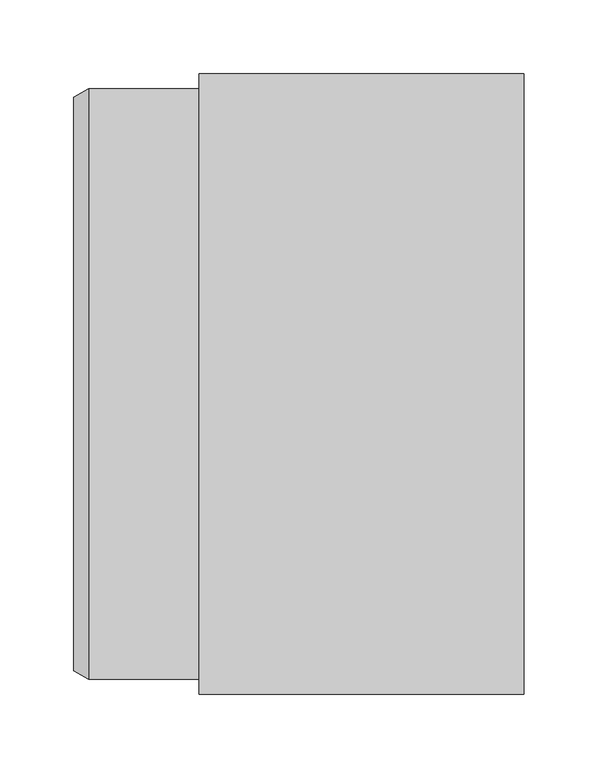
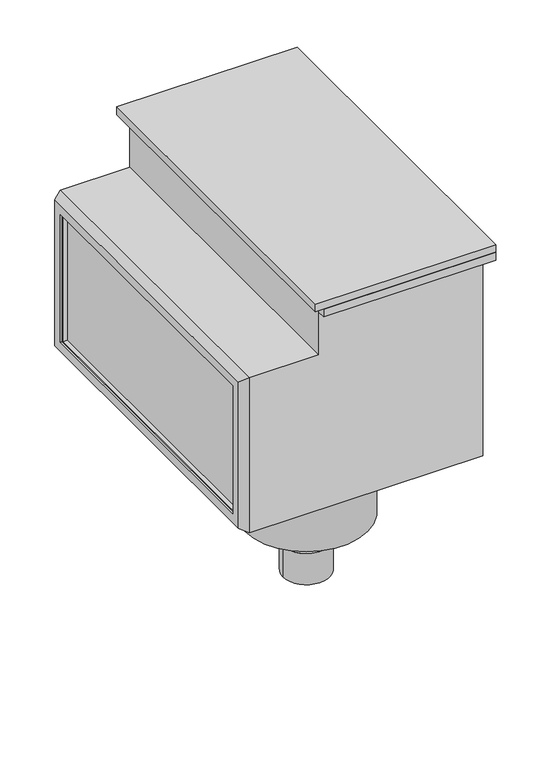
"""IFC4 building model written with IfcOpenShell, lengths in millimetres: proxy geometry."""

from ifc_helpers import new_model, si_unit, frame, origin, place, context, project, spatial, polyline, circle_curve, outline, extrude, source, transform, mapped, element, save
from ifc_brep_helpers import plane_surface, cylinder_surface, advanced_brep


def generic_models_d28aa3cd(model_context):
    return source(origin(), model_context, "Body", "SolidModel", [
        extrude(outline(polyline([(85.0, 200.0), (85.0, 210.0), (295.0, 210.0), (295.0, -210.0), (85.0, -210.0), (85.0, -200.0), (285.0, -200.0), (285.0, 200.0), (85.0, 200.0)])), frame((0.0, 0.0, -20.0), z_axis=(0.0, 0.0, 1.0), x_axis=(1.0, 0.0, 0.0)), (0.0, 0.0, 1.0), 10.0),
        advanced_brep(
        [(0.0, -200.0, -75.0), (-10.0, -194.2264973, -80.7735027), (-10.0, -194.2264973, -269.2264973), (0.0, -200.0, -275.0), (-4.952609, -185.0, -260.0), (-4.952609, -185.0, -90.0), (0.0, -185.0, -90.0), (0.0, -185.0, -260.0), (-7.452609, -182.5, -257.5), (-7.452609, -182.5, -92.5), (-10.0, -182.5, -257.5), (-10.0, -182.5, -92.5), (-10.0, 194.2264973, -269.2264973), (0.0, 200.0, -275.0), (-4.952609, 185.0, -260.0), (0.0, 185.0, -260.0), (-7.452609, 182.5, -257.5), (-10.0, 182.5, -257.5), (-10.0, 194.2264973, -80.7735027), (0.0, 200.0, -75.0), (-4.952609, 185.0, -90.0), (0.0, 185.0, -90.0), (-7.452609, 182.5, -92.5), (-10.0, 182.5, -92.5), (285.0, -200.0, -275.0), (285.0, -200.0, -10.0), (85.0, -200.0, -10.0), (85.0, -200.0, -75.0), (85.0, 200.0, -75.0), (85.0, 200.0, -10.0), (285.0, 200.0, -10.0), (285.0, 200.0, -275.0), (260.0, 0.0, -275.0), (110.0, 0.0, -275.0), (295.0, 210.0, 0.0), (75.0, 210.0, 0.0), (75.0, -210.0, 0.0), (295.0, -210.0, 0.0), (295.0, 210.0, -10.0), (295.0, -210.0, -10.0), (75.0, -210.0, -10.0), (75.0, 210.0, -10.0), (110.0, 0.0, -433.0), (260.0, 0.0, -433.0), (206.0, 0.0, -433.0), (164.0, 0.0, -433.0), (156.5, 0.0, -508.0), (213.5, 0.0, -508.0), (185.0, 0.0, -508.0), (156.5, 0.0, -468.0), (213.5, 0.0, -468.0), (166.5, 0.0, -468.0), (203.5, 0.0, -468.0), (166.5, 0.0, -463.0), (203.5, 0.0, -463.0), (164.0, 0.0, -463.0), (206.0, 0.0, -463.0)],
        [
            (0, 1),
            (1, 2),
            (2, 3),
            (3, 0),
            (4, 5),
            (5, 6),
            (6, 7),
            (7, 4),
            (4, 8),
            (8, 9),
            (9, 5),
            (8, 10),
            (10, 11),
            (11, 9),
            (2, 12),
            (12, 13),
            (13, 3),
            (14, 4),
            (7, 15),
            (15, 14),
            (14, 16),
            (16, 8),
            (16, 17),
            (17, 10),
            (12, 18),
            (18, 19),
            (19, 13),
            (20, 14),
            (15, 21),
            (21, 20),
            (20, 22),
            (22, 16),
            (22, 23),
            (23, 17),
            (0, 19),
            (18, 1),
            (5, 20),
            (21, 6),
            (9, 22),
            (11, 23),
            (3, 24),
            (24, 25),
            (25, 26),
            (26, 27),
            (27, 0),
            (19, 28),
            (28, 29),
            (29, 30),
            (30, 31),
            (31, 13),
            (31, 24),
            (32, 33, circle_curve(frame((185.0, 0.0, -275.0), z_axis=(0.0, 0.0, 1.0), x_axis=(1.0, 0.0, 0.0)), 75.0)),
            (33, 32, circle_curve(frame((185.0, 0.0, -275.0), z_axis=(0.0, 0.0, 1.0), x_axis=(1.0, 0.0, 0.0)), 75.0)),
            (30, 25),
            (26, 29),
            (28, 27),
            (34, 35),
            (35, 36),
            (36, 37),
            (37, 34),
            (38, 39),
            (39, 40),
            (40, 41),
            (41, 38),
            (34, 38),
            (41, 35),
            (40, 36),
            (39, 37),
            (42, 43, circle_curve(frame((185.0, 0.0, -433.0), z_axis=(0.0, 0.0, -1.0), x_axis=(1.0, 0.0, 0.0)), 75.0)),
            (43, 44),
            (44, 45, circle_curve(frame((185.0, 0.0, -433.0), z_axis=(0.0, 0.0, 1.0), x_axis=(1.0, 0.0, 0.0)), 21.0)),
            (45, 42),
            (43, 42, circle_curve(frame((185.0, 0.0, -433.0), z_axis=(0.0, 0.0, -1.0), x_axis=(1.0, 0.0, 0.0)), 75.0)),
            (45, 44, circle_curve(frame((185.0, 0.0, -433.0), z_axis=(0.0, 0.0, 1.0), x_axis=(1.0, 0.0, 0.0)), 21.0)),
            (42, 33),
            (32, 43),
            (46, 47, circle_curve(frame((185.0, 0.0, -508.0), z_axis=(0.0, 0.0, -1.0), x_axis=(1.0, 0.0, 0.0)), 28.5)),
            (47, 48),
            (48, 46),
            (47, 46, circle_curve(frame((185.0, 0.0, -508.0), z_axis=(0.0, 0.0, -1.0), x_axis=(1.0, 0.0, 0.0)), 28.5)),
            (46, 49),
            (49, 50, circle_curve(frame((185.0, 0.0, -468.0), z_axis=(0.0, 0.0, -1.0), x_axis=(1.0, 0.0, 0.0)), 28.5)),
            (50, 47),
            (50, 49, circle_curve(frame((185.0, 0.0, -468.0), z_axis=(0.0, 0.0, -1.0), x_axis=(1.0, 0.0, 0.0)), 28.5)),
            (49, 51),
            (51, 52, circle_curve(frame((185.0, 0.0, -468.0), z_axis=(0.0, 0.0, -1.0), x_axis=(1.0, 0.0, 0.0)), 18.5)),
            (52, 50),
            (52, 51, circle_curve(frame((185.0, 0.0, -468.0), z_axis=(0.0, 0.0, -1.0), x_axis=(1.0, 0.0, 0.0)), 18.5)),
            (51, 53),
            (53, 54, circle_curve(frame((185.0, 0.0, -463.0), z_axis=(0.0, 0.0, -1.0), x_axis=(1.0, 0.0, 0.0)), 18.5)),
            (54, 52),
            (54, 53, circle_curve(frame((185.0, 0.0, -463.0), z_axis=(0.0, 0.0, -1.0), x_axis=(1.0, 0.0, 0.0)), 18.5)),
            (53, 55),
            (55, 56, circle_curve(frame((185.0, 0.0, -463.0), z_axis=(0.0, 0.0, -1.0), x_axis=(1.0, 0.0, 0.0)), 21.0)),
            (56, 54),
            (56, 55, circle_curve(frame((185.0, 0.0, -463.0), z_axis=(0.0, 0.0, -1.0), x_axis=(1.0, 0.0, 0.0)), 21.0)),
            (44, 56),
            (55, 45),
        ],
        [
            plane_surface(frame((-10.0, -194.2264973, -80.7735027), z_axis=(-0.4999999999999858, -0.8660254037844469, 0.0), x_axis=(0.0, 0.0, -1.0))),
            plane_surface(frame((10.0, -185.0, -90.0), z_axis=(0.0, 1.0, 0.0), x_axis=(0.0, 0.0, -1.0))),
            plane_surface(frame((-4.952609, -185.0, -90.0), z_axis=(0.7071067811865478, 0.7071067811865472, 0.0), x_axis=(0.0, 0.0, -1.0))),
            plane_surface(frame((-7.452609, -182.5, -92.5), z_axis=(0.0, 1.0, 0.0), x_axis=(0.0, 0.0, -1.0))),
            plane_surface(frame((-10.0, -194.2264973, -269.2264973), z_axis=(-0.4999999999999858, 0.0, -0.8660254037844469), x_axis=(0.0, 1.0, 0.0))),
            plane_surface(frame((10.0, -185.0, -260.0), z_axis=(0.0, 0.0, 1.0), x_axis=(0.0, 1.0, 0.0))),
            plane_surface(frame((-4.952609, -185.0, -260.0), z_axis=(0.7071067811865478, 0.0, 0.7071067811865472), x_axis=(0.0, 1.0, 0.0))),
            plane_surface(frame((-7.452609, -182.5, -257.5), z_axis=(0.0, 0.0, 1.0), x_axis=(0.0, 1.0, 0.0))),
            plane_surface(frame((-10.0, 194.2264973, -269.2264973), z_axis=(-0.4999999999999858, 0.8660254037844469, 0.0), x_axis=(0.0, 0.0, 1.0))),
            plane_surface(frame((10.0, 185.0, -260.0), z_axis=(0.0, -1.0, 0.0), x_axis=(0.0, 0.0, 1.0))),
            plane_surface(frame((-4.952609, 185.0, -260.0), z_axis=(0.7071067811865478, -0.7071067811865472, 0.0), x_axis=(0.0, 0.0, 1.0))),
            plane_surface(frame((-7.452609, 182.5, -257.5), z_axis=(0.0, -1.0, 0.0), x_axis=(0.0, 0.0, 1.0))),
            plane_surface(frame((-10.0, 194.2264973, -80.7735027), z_axis=(-0.4999999999999858, 0.0, 0.8660254037844469), x_axis=(0.0, -1.0, 0.0))),
            plane_surface(frame((10.0, 185.0, -90.0), z_axis=(0.0, 0.0, -1.0), x_axis=(0.0, -1.0, 0.0))),
            plane_surface(frame((-4.952609, 185.0, -90.0), z_axis=(0.7071067811865478, 0.0, -0.7071067811865472), x_axis=(0.0, -1.0, 0.0))),
            plane_surface(frame((-7.452609, 182.5, -92.5), z_axis=(0.0, 0.0, -1.0), x_axis=(0.0, -1.0, 0.0))),
            plane_surface(frame((-10.0, 182.5, -92.5), z_axis=(-1.0, 0.0, 0.0), x_axis=(0.0, -1.0, 0.0))),
            plane_surface(frame((0.0, -200.0, -275.0), z_axis=(0.0, -1.0, 0.0), x_axis=(1.0, 0.0, 0.0))),
            plane_surface(frame((0.0, 200.0, -275.0), z_axis=(0.0, 1.0, 0.0), x_axis=(-1.0, 0.0, 0.0))),
            plane_surface(frame((0.0, -200.0, -275.0), z_axis=(0.0, 0.0, -1.0), x_axis=(0.0, 1.0, 0.0))),
            plane_surface(frame((285.0, -200.0, -275.0), z_axis=(1.0, 0.0, 0.0), x_axis=(0.0, 1.0, 0.0))),
            plane_surface(frame((85.0, -200.0, -10.0), z_axis=(-1.0, 0.0, 0.0), x_axis=(0.0, 1.0, 0.0))),
            plane_surface(frame((85.0, -200.0, -75.0), z_axis=(0.0, 0.0, 1.0), x_axis=(0.0, 1.0, 0.0))),
            plane_surface(frame((0.0, -200.0, -75.0), z_axis=(-1.0, 0.0, 0.0), x_axis=(0.0, 1.0, 0.0))),
            plane_surface(frame((75.0, 210.0, 0.0), z_axis=(0.0, 0.0, 1.0), x_axis=(-1.0, 0.0, 0.0))),
            plane_surface(frame((75.0, 210.0, -10.0), z_axis=(0.0, 0.0, -1.0), x_axis=(1.0, 0.0, 0.0))),
            plane_surface(frame((295.0, 210.0, 0.0), z_axis=(0.0, 1.0, 0.0), x_axis=(0.0, 0.0, -1.0))),
            plane_surface(frame((75.0, 210.0, 0.0), z_axis=(-1.0, 0.0, 0.0), x_axis=(0.0, 0.0, -1.0))),
            plane_surface(frame((75.0, -210.0, 0.0), z_axis=(0.0, -1.0, 0.0), x_axis=(0.0, 0.0, -1.0))),
            plane_surface(frame((295.0, -210.0, 0.0), z_axis=(1.0, 0.0, 0.0), x_axis=(0.0, 0.0, -1.0))),
            plane_surface(frame((185.0, 0.0, -433.0), z_axis=(0.0, 0.0, -1.0), x_axis=(1.0, 0.0, 0.0))),
            cylinder_surface(frame((185.0, 0.0, -203.4284854), z_axis=(0.0, 0.0, 1.0), x_axis=(1.0, 0.0, 0.0)), 75.0),
            plane_surface(frame((185.0, 0.0, -508.0), z_axis=(0.0, 0.0, -1.0), x_axis=(1.0, 0.0, 0.0))),
            cylinder_surface(frame((185.0, 0.0, -203.4284854), z_axis=(0.0, 0.0, 1.0), x_axis=(1.0, 0.0, 0.0)), 28.5),
            plane_surface(frame((185.0, 0.0, -468.0), z_axis=(0.0, 0.0, 1.0), x_axis=(1.0, 0.0, 0.0))),
            cylinder_surface(frame((185.0, 0.0, -203.4284854), z_axis=(0.0, 0.0, 1.0), x_axis=(1.0, 0.0, 0.0)), 18.5),
            plane_surface(frame((185.0, 0.0, -463.0), z_axis=(0.0, 0.0, -1.0), x_axis=(1.0, 0.0, 0.0))),
            cylinder_surface(frame((185.0, 0.0, -203.4284854), z_axis=(0.0, 0.0, 1.0), x_axis=(1.0, 0.0, 0.0)), 21.0),
        ],
        [
            (0, [[1, 2, 3, 4]]),
            (1, [[5, 6, 7, 8]]),
            (2, [[-5, 9, 10, 11]]),
            (3, [[-10, 12, 13, 14]]),
            (4, [[-3, 15, 16, 17]]),
            (5, [[18, -8, 19, 20]]),
            (6, [[-9, -18, 21, 22]]),
            (7, [[-12, -22, 23, 24]]),
            (8, [[-16, 25, 26, 27]]),
            (9, [[28, -20, 29, 30]]),
            (10, [[-21, -28, 31, 32]]),
            (11, [[-23, -32, 33, 34]]),
            (12, [[-1, 35, -26, 36]]),
            (13, [[37, -30, 38, -6]]),
            (14, [[-11, 39, -31, -37]]),
            (15, [[-14, 40, -33, -39]]),
            (16, [[-2, -36, -25, -15], [-13, -24, -34, -40]]),
            (17, [[41, 42, 43, 44, 45, -4]]),
            (18, [[46, 47, 48, 49, 50, -27]]),
            (19, [[-41, -17, -50, 51], [52, 53]]),
            (20, [[-42, -51, -49, 54]]),
            (21, [[-44, 55, -47, 56]]),
            (22, [[-45, -56, -46, -35]]),
            (23, [[-7, -38, -29, -19]]),
            (24, [[57, 58, 59, 60]]),
            (25, [[61, 62, 63, 64], [-43, -54, -48, -55]]),
            (26, [[-57, 65, -64, 66]]),
            (27, [[-58, -66, -63, 67]]),
            (28, [[-59, -67, -62, 68]]),
            (29, [[-60, -68, -61, -65]]),
            (30, [[69, 70, 71, 72]]),
            (30, [[-70, 73, -72, 74]]),
            (31, [[-69, 75, -52, 76]]),
            (31, [[-73, -76, -53, -75]]),
            (32, [[77, 78, 79]]),
            (32, [[-78, 80, -79]]),
            (33, [[-77, 81, 82, 83]]),
            (33, [[-80, -83, 84, -81]]),
            (34, [[-82, 85, 86, 87]]),
            (34, [[-84, -87, 88, -85]]),
            (35, [[-86, 89, 90, 91]]),
            (35, [[-88, -91, 92, -89]]),
            (36, [[-90, 93, 94, 95]]),
            (36, [[-92, -95, 96, -93]]),
            (37, [[-71, 97, -94, 98]]),
            (37, [[-74, -98, -96, -97]]),
        ],
    ),
    ])


if __name__ == "__main__":
    model = new_model("IFC4")
    model_context = context("Model", 3, world=origin())
    ifc_project = project(units=[si_unit("LENGTHUNIT", "METRE", prefix="MILLI")], contexts=[model_context])
    site = spatial("IfcSite", under=ifc_project)
    building = spatial("IfcBuilding", under=site)
    placement = place(None, origin())
    generic_models_shape = generic_models_d28aa3cd(model_context)
    element("IfcBuildingElementProxy", 1, Name="Generic Models", at=placement, inside=building, context=model_context, shape_type="MappedRepresentation", body=[
        mapped(generic_models_shape, transform((0.0, 0.0, 0.0), x_axis=(1.0, 0.0, 0.0), y_axis=(0.0, 1.0, 0.0), z_axis=(0.0, 0.0, 1.0))),
    ])
    save(model, "model.ifc")
